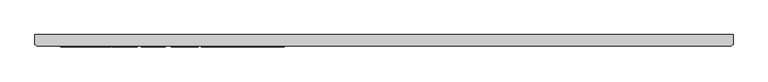
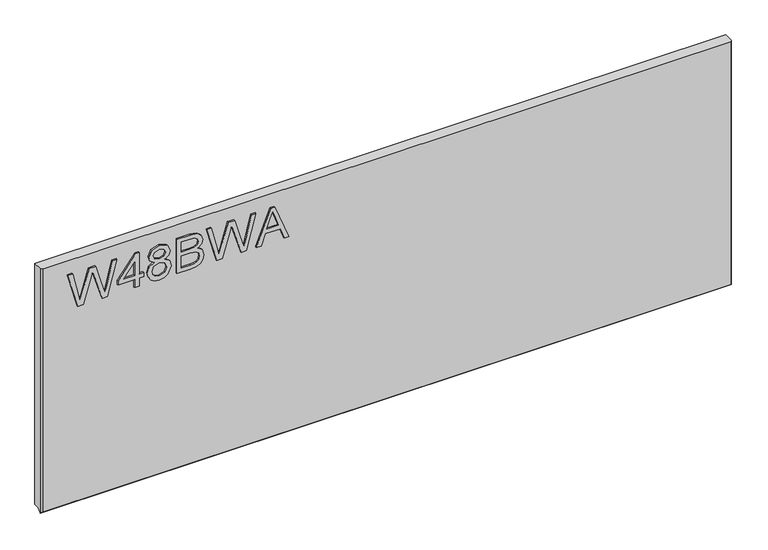
"""IFC4 building model written with IfcOpenShell, lengths in millimetres: furniture geometry."""

from ifc_helpers import new_model, si_unit, frame, origin, place, context, project, spatial, polyline, outline, extrude, faceted_brep, source, transform, mapped, element, save


def furniture_fdc2b5ba(model_context):
    return source(origin(), model_context, "Body", "SolidModel", [
        extrude(outline(polyline([(873.55172, -832.8197895), (873.55172, -823.1952607), (921.3628904, -809.2568251), (929.6325097, -806.8584797), (922.7645208, -804.7248868), (873.55172, -789.4315417), (873.55172, -780.9127436), (937.3414769, -763.5013793), (937.3414769, -771.7242776), (895.0433862, -781.9094586), (882.4754336, -784.9307508), (905.8670876, -791.7675924), (937.3414769, -800.9560583), (937.3414769, -812.8076221), (893.9220818, -825.453443), (882.4754336, -828.7862087), (895.4171543, -831.9009429), (937.3414769, -841.9926818), (937.3414769, -850.2155801), (873.55172, -832.8197895)])), frame((0.0, -21.9273437, 0.0), z_axis=(0.0, 1.0, 0.0), x_axis=(0.0, 0.0, 1.0)), (0.0, 0.0, 1.0), 2.38125),
        extrude(outline(polyline([(873.55172, -732.6032158), (873.55172, -724.6294961), (888.5024443, -724.6294961), (888.5024443, -716.6557765), (896.4761639, -716.6557765), (896.4761639, -724.6294961), (936.344762, -724.6294961), (936.344762, -730.6097859), (896.4761639, -761.5079494), (888.5024443, -761.5079494), (888.5024443, -732.6032158), (873.55172, -732.6032158)]), holes=[polyline([(896.4761639, -732.6032158), (896.4761639, -751.6965366), (921.1137116, -732.6032158), (896.4761639, -732.6032158)])]), frame((0.0, -21.9273437, 0.0), z_axis=(0.0, 1.0, 0.0), x_axis=(0.0, 0.0, 1.0)), (0.0, 0.0, 1.0), 2.38125),
        extrude(outline(polyline([(908.6859221, -698.0608132), (902.8925164, -706.6574797), (892.3335674, -709.6787719), (884.5759325, -708.2382073), (878.2160345, -703.9165135), (873.9702624, -697.2431955), (872.555005, -688.7477579), (873.9644223, -680.2523203), (878.192674, -673.5790022), (892.115536, -667.8167439), (902.4330931, -670.7212335), (908.6859221, -679.2010975), (913.614989, -672.1384376), (921.1292853, -669.8101738), (932.6226546, -675.0429273), (937.3414769, -688.8567736), (932.7316703, -702.5460305), (921.3473167, -707.685342), (913.6383495, -705.3259308), (908.6859221, -698.0608132)]), holes=[polyline([(921.1137116, -699.7116223), (926.9382646, -696.83828), (929.3677573, -688.7477579), (926.8837568, -680.6805962), (920.7555172, -677.7838934), (914.8375222, -680.5871542), (912.4236031, -688.6543158), (914.8530958, -696.885001), (921.1137116, -699.7116223)]), polyline([(892.6138935, -701.7050522), (901.0703969, -698.3333524), (904.4498835, -688.9502156), (901.0236759, -679.2945395), (892.3647147, -675.7904635), (883.8692771, -679.1855238), (880.5287247, -688.6854632), (882.1172391, -695.6624678), (886.6102432, -700.3735034), (892.6138935, -701.7050522)])]), frame((0.0, -21.9273437, 0.0), z_axis=(0.0, 1.0, 0.0), x_axis=(0.0, 0.0, 1.0)), (0.0, 0.0, 1.0), 2.38125),
        extrude(outline(polyline([(873.55172, -657.8495943), (873.55172, -633.6948304), (874.6496638, -623.4707153), (877.8889874, -616.5326448), (883.9938665, -611.883904), (892.5671724, -610.0072766), (902.487601, -612.7560296), (908.4367433, -620.6129467), (914.0821991, -614.1420863), (921.5342007, -612.0007065), (929.6948044, -614.5470018), (935.4648496, -621.5863011), (937.3414769, -633.5079464), (937.3414769, -657.8495943), (873.55172, -657.8495943)]), holes=[polyline([(881.5254396, -649.8758747), (903.4531686, -649.8758747), (903.4531686, -634.3022036), (902.3863721, -624.4518566), (898.6876252, -619.507216), (892.4893041, -617.9809963), (887.1163876, -619.2813978), (883.5733774, -622.5985897), (881.836913, -627.605525), (881.5254396, -633.52352), (881.5254396, -649.8758747)]), polyline([(911.4268882, -649.8758747), (929.3677573, -649.8758747), (929.3677573, -636.4202229), (928.5345659, -626.1727473), (925.4587659, -621.5785143), (920.2571597, -619.9744262), (915.0633404, -621.6953168), (912.1121297, -626.8112678), (911.4268882, -635.3144922), (911.4268882, -649.8758747)])]), frame((0.0, -21.9273437, 0.0), z_axis=(0.0, 1.0, 0.0), x_axis=(0.0, 0.0, 1.0)), (0.0, 0.0, 1.0), 2.38125),
        extrude(outline(polyline([(873.55172, -587.6279112), (873.55172, -578.0033825), (921.3628904, -564.0649468), (929.6325097, -561.6666014), (922.7645208, -559.5330085), (873.55172, -544.2396635), (873.55172, -535.7208653), (937.3414769, -518.309501), (937.3414769, -526.5323994), (895.0433862, -536.7175803), (882.4754336, -539.7388725), (905.8670876, -546.5757141), (937.3414769, -555.7641801), (937.3414769, -567.6157438), (893.9220818, -580.2615648), (882.4754336, -583.5943304), (895.4171543, -586.7090646), (937.3414769, -596.8008035), (937.3414769, -605.0237019), (873.55172, -587.6279112)])), frame((0.0, -21.9273437, 0.0), z_axis=(0.0, 1.0, 0.0), x_axis=(0.0, 0.0, 1.0)), (0.0, 0.0, 1.0), 2.38125),
        extrude(outline(polyline([(873.55172, -517.7644225), (873.55172, -509.3390665), (893.486019, -502.0505884), (893.486019, -475.7778052), (873.55172, -468.4737534), (873.55172, -460.0483973), (937.3414769, -485.5113496), (937.3414769, -492.3014702), (873.55172, -517.7644225)]), holes=[polyline([(901.4597387, -499.1227382), (918.5129085, -492.8776961), (929.3677573, -488.9064099), (917.1424255, -484.4367663), (901.4597387, -478.6900817), (901.4597387, -499.1227382)])]), frame((0.0, -21.9273437, 0.0), z_axis=(0.0, 1.0, 0.0), x_axis=(0.0, 0.0, 1.0)), (0.0, 0.0, 1.0), 2.38125),
        faceted_brep([(323.5377049, 0.0, 962.45172), (-895.6622951, 0.0, 962.45172), (-895.6622951, -15.9900937, 962.45172), (-892.4872951, -19.5460937, 962.45172), (320.3627049, -19.5460937, 962.45172), (323.5377049, -15.9900937, 962.45172), (-895.6622951, 0.0, 512.7625), (323.5377049, 0.0, 512.7625), (323.5377049, -10.0210937, 512.7625), (-895.6622951, -10.0210938, 512.7625), (-895.6622951, -15.9392937, 506.8443), (-895.6622951, -16.3710938, 506.4125), (-895.6622951, -16.8028938, 506.8443), (-892.4872951, -19.5460937, 509.5875), (320.3627049, -19.5460937, 509.5875), (323.5377049, -15.9900937, 506.8443), (323.5377049, -16.8028938, 506.8443), (323.5377049, -16.3710938, 506.4125), (322.8119906, -16.8028938, 506.8443), (-894.9365808, -16.8028938, 506.8443)], [[[0, 1, 2, 3, 4, 5]], [[6, 7, 8, 9]], [[1, 6, 9, 10, 2]], [[10, 11, 12]], [[3, 13, 14, 4]], [[7, 0, 5, 15, 8]], [[16, 17, 15]], [[1, 0, 7, 6]], [[11, 17, 16, 18, 14, 13, 19, 12]], [[17, 11, 10, 9, 8, 15]], [[19, 10, 12]], [[15, 18, 16]], [[10, 19, 13, 3, 2]], [[18, 15, 5, 4, 14]]]),
    ])


if __name__ == "__main__":
    model = new_model("IFC4")
    model_context = context("Model", 3, world=origin())
    ifc_project = project(units=[si_unit("LENGTHUNIT", "METRE", prefix="MILLI")], contexts=[model_context])
    site = spatial("IfcSite", under=ifc_project)
    building = spatial("IfcBuilding", under=site)
    placement = place(None, origin())
    furniture_shape = furniture_fdc2b5ba(model_context)
    element("IfcFurniture", 1, at=placement, inside=building, context=model_context, shape_type="MappedRepresentation", body=[
        mapped(furniture_shape, transform((0.0, 0.0, 0.0), x_axis=(1.0, 0.0, 0.0), y_axis=(0.0, 1.0, 0.0), z_axis=(0.0, 0.0, 1.0))),
    ])
    save(model, "model.ifc")
